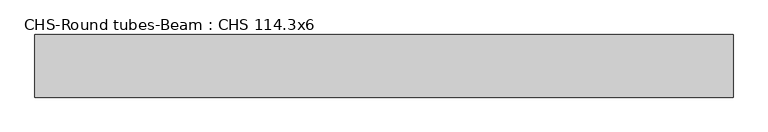
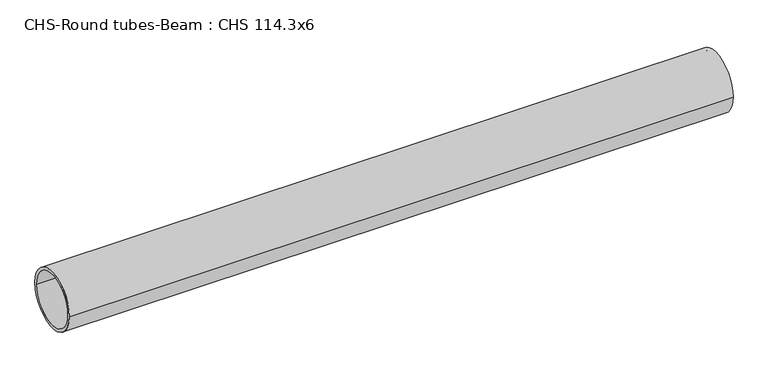
"""IFC4 building model written with IfcOpenShell, lengths in millimetres: beam geometry, CHS-Round tubes-Beam : CHS 114.3x6."""

from ifc_helpers import new_model, si_unit, point, frame, origin, origin_2d, place, context, project, spatial, circle_curve, trimmed, segment, composite_curve, outline, extrude, source, transform, mapped, element, save


def chs_round_tubes_beam_chs_114_3x6_c593ba7a(model_context):
    return source(origin(), model_context, "Body", "SweptSolid", [
        extrude(outline(composite_curve([segment(trimmed(circle_curve(origin_2d(), 57.15), [point((57.15, 0.0))], [point((-57.15, 0.0))], False, "CARTESIAN"), True, "CONTINUOUS"), segment(trimmed(circle_curve(origin_2d(), 57.15), [point((-57.15, 0.0))], [point((57.15, 0.0))], False, "CARTESIAN"), True, "CONTINUOUS")], self_intersect=False), holes=[composite_curve([segment(trimmed(circle_curve(origin_2d(), 51.15), [point((51.15, 0.0))], [point((-51.15, 0.0))], True, "CARTESIAN"), True, "CONTINUOUS"), segment(trimmed(circle_curve(origin_2d(), 51.15), [point((-51.15, 0.0))], [point((51.15, 0.0))], True, "CARTESIAN"), True, "CONTINUOUS")], self_intersect=False)]), frame((-639.7714275, 0.0, 0.0), z_axis=(1.0, 0.0, 0.0), x_axis=(0.0, 1.0, 0.0)), (0.0, 0.0, 1.0), 1274.3500902),
    ])


if __name__ == "__main__":
    model = new_model("IFC4")
    model_context = context("Model", 3, world=origin())
    ifc_project = project(units=[si_unit("LENGTHUNIT", "METRE", prefix="MILLI")], contexts=[model_context])
    site = spatial("IfcSite", under=ifc_project)
    building = spatial("IfcBuilding", under=site)
    placement = place(None, origin())
    chs_round_tubes_beam_chs_114_3x6_shape = chs_round_tubes_beam_chs_114_3x6_c593ba7a(model_context)
    element("IfcBeam", 1, ObjectType="CHS-Round tubes-Beam : CHS 114.3x6", at=placement, inside=building, context=model_context, shape_type="MappedRepresentation", body=[
        mapped(chs_round_tubes_beam_chs_114_3x6_shape, transform((0.0, 0.0, 0.0), x_axis=(1.0, 0.0, 0.0), y_axis=(0.0, 1.0, 0.0), z_axis=(0.0, 0.0, 1.0))),
    ])
    save(model, "model.ifc")
